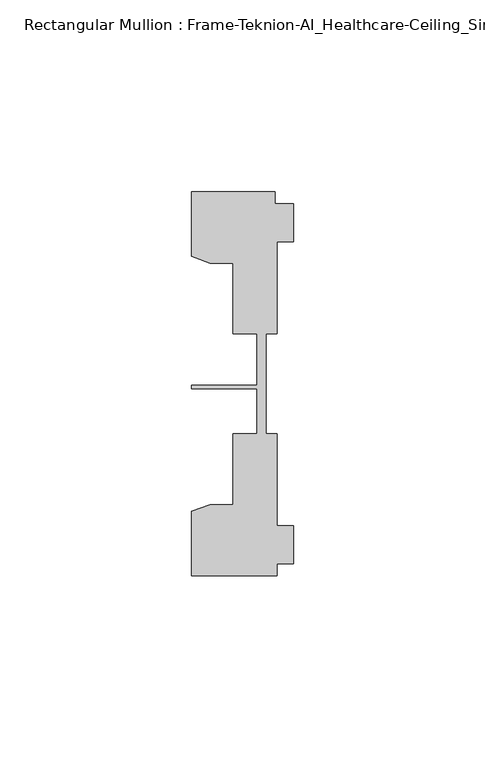
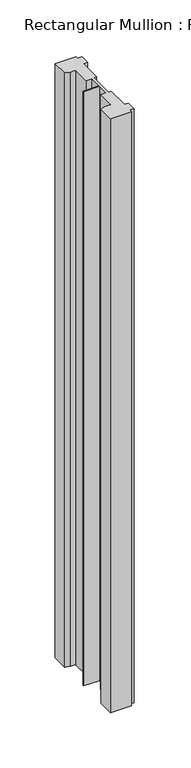
"""IFC4 building model written with IfcOpenShell, lengths in millimetres: member geometry, Rectangular Mullion : Frame-Teknion-AI_Healthcare-Ceiling_Single_Channel."""

from ifc_helpers import new_model, si_unit, frame, origin, place, context, project, spatial, polyline, outline, extrude, source, transform, mapped, element, save


def rectangular_mullion_frame_teknion_ai_healthcare_ceiling_db2f11a4(model_context):
    return source(origin(), model_context, "Body", "SweptSolid", [
        extrude(outline(polyline([(-26.4921999, 34.0201677), (-26.4921999, 50.8315128), (-4.7752002, 50.8315128), (-4.7752002, 47.782071), (0.0, 47.782071), (0.0, 37.7820716), (-4.2672007, 37.7820716), (-4.2672007, 13.9110722), (-7.1647766, 13.9110722), (-7.1647766, 0.0814804), (-7.1647766, -12.2509301), (-4.2672007, -12.2509301), (-4.2672007, -36.1219249), (0.0, -36.1219249), (0.0, -46.1219322), (-4.2672007, -46.1219322), (-4.2672007, -49.1699293), (-26.4921999, -49.1699293), (-26.4921999, -32.3600207), (-21.6625199, -30.6279561), (-15.6737764, -30.6279561), (-15.6737764, -12.2509301), (-9.4507761, -12.2509301), (-9.4507761, -0.4036528), (-26.4921999, -0.4036528), (-26.4921999, 0.4036528), (-9.4507761, 0.4036528), (-9.4507761, 13.9110722), (-15.6737764, 13.9110722), (-15.6737764, 32.2880982), (-21.6625199, 32.2880982), (-26.4921999, 34.0201677)])), frame((0.0, 0.0, -655.9798568), z_axis=(0.0, 0.0, 1.0), x_axis=(1.0, 0.0, 0.0)), (0.0, 0.0, 1.0), 655.9798568),
    ])


if __name__ == "__main__":
    model = new_model("IFC4")
    model_context = context("Model", 3, world=origin())
    ifc_project = project(units=[si_unit("LENGTHUNIT", "METRE", prefix="MILLI")], contexts=[model_context])
    site = spatial("IfcSite", under=ifc_project)
    building = spatial("IfcBuilding", under=site)
    placement = place(None, origin())
    rectangular_mullion_frame_teknion_ai_healthcare_ceiling_shape = rectangular_mullion_frame_teknion_ai_healthcare_ceiling_db2f11a4(model_context)
    element("IfcMember", 1, ObjectType="Rectangular Mullion : Frame-Teknion-AI_Healthcare-Ceiling_Single_Channel", at=placement, inside=building, context=model_context, shape_type="MappedRepresentation", body=[
        mapped(rectangular_mullion_frame_teknion_ai_healthcare_ceiling_shape, transform((0.0, 0.0, 0.0), x_axis=(1.0, 0.0, 0.0), y_axis=(0.0, 1.0, 0.0), z_axis=(0.0, 0.0, 1.0))),
    ])
    save(model, "model.ifc")
